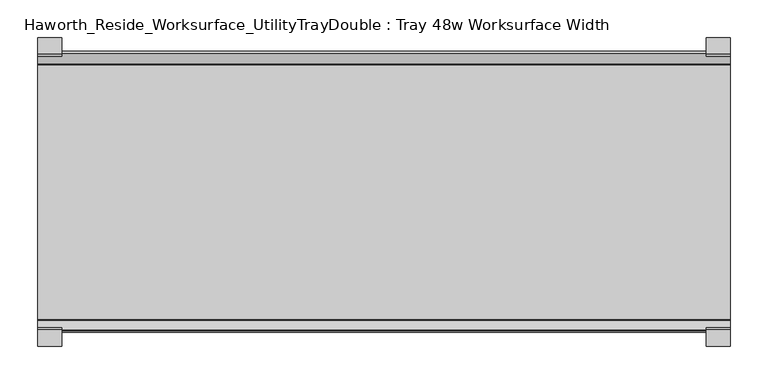
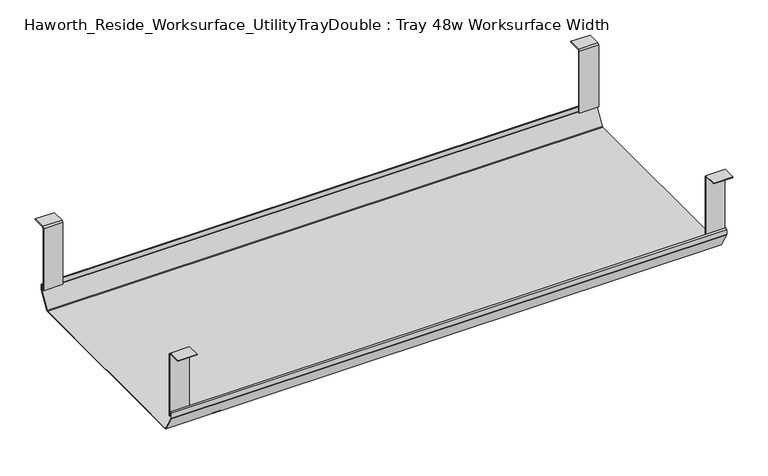
"""IFC4 building model written with IfcOpenShell, lengths in millimetres: furniture geometry, Haworth_Reside_Worksurface_UtilityTrayDouble : Tray 48w Worksurface Width."""

from ifc_helpers import new_model, si_unit, frame, origin, place, context, project, spatial, polyline, outline, extrude, source, transform, mapped, element, save


def haworth_reside_worksurface_utilitytraydouble_tray_48w_59be3fe9(model_context):
    return source(origin(), model_context, "Body", "SweptSolid", [
        extrude(outline(polyline([(-721.2228768, 731.8375), (-718.8278791, 729.4425023), (-718.8278791, 621.6649855), (-720.2248778, 621.6649855), (-720.2248778, 729.0734626), (-721.7824239, 730.6310087), (-743.0086797, 730.6310087), (-743.0086797, 731.8375), (-721.2228768, 731.8375)])), frame((641.2991976, 0.0, 0.0), z_axis=(1.0, 0.0, 0.0), x_axis=(0.0, 1.0, 0.0)), (0.0, 0.0, 1.0), 31.8008024),
        extrude(outline(polyline([(-357.7340763, 731.8375), (-335.9482734, 731.8375), (-335.9482734, 730.6310087), (-357.1745292, 730.6310087), (-358.7320753, 729.0734626), (-358.7320753, 621.6649855), (-360.129074, 621.6649855), (-360.129074, 729.4425023), (-357.7340763, 731.8375)])), frame((641.2991976, 0.0, 0.0), z_axis=(1.0, 0.0, 0.0), x_axis=(0.0, 1.0, 0.0)), (0.0, 0.0, 1.0), 31.8008024),
        extrude(outline(polyline([(-721.2228768, 731.8375), (-718.8278791, 729.4425023), (-718.8278791, 621.6649855), (-720.2248778, 621.6649855), (-720.2248778, 729.0734626), (-721.7824239, 730.6310087), (-743.0086797, 730.6310087), (-743.0086797, 731.8375), (-721.2228768, 731.8375)])), frame((-241.3, 0.0, 0.0), z_axis=(1.0, 0.0, 0.0), x_axis=(0.0, 1.0, 0.0)), (0.0, 0.0, 1.0), 31.8008024),
        extrude(outline(polyline([(-357.7340763, 731.8375), (-335.9482734, 731.8375), (-335.9482734, 730.6310087), (-357.1745292, 730.6310087), (-358.7320753, 729.0734626), (-358.7320753, 621.6649855), (-360.129074, 621.6649855), (-360.129074, 729.4425023), (-357.7340763, 731.8375)])), frame((-241.3, 0.0, 0.0), z_axis=(1.0, 0.0, 0.0), x_axis=(0.0, 1.0, 0.0)), (0.0, 0.0, 1.0), 31.8008024),
        extrude(outline(polyline([(-725.025475, 629.0309966), (-722.993477, 631.0629947), (-722.432211, 630.5017287), (-724.231725, 628.7022146), (-724.231725, 620.8042827), (-724.0067745, 619.9647622), (-708.9140802, 593.8234395), (-707.4787101, 592.9947272), (-371.478243, 592.9947272), (-370.0428729, 593.8234395), (-354.9501786, 619.9647622), (-354.7252281, 620.8042827), (-354.7252281, 628.7022146), (-356.5247421, 630.5017287), (-355.9634761, 631.0629947), (-353.9314781, 629.0309966), (-353.9314781, 620.6997828), (-354.2105217, 619.6583856), (-369.5353957, 593.1149156), (-371.1183815, 592.2009772), (-707.691395, 592.2009772), (-709.4951457, 593.2423744), (-724.7464314, 619.6583856), (-725.025475, 620.6997828), (-725.025475, 629.0309966)])), frame((-241.3, 0.0, 0.0), z_axis=(1.0, 0.0, 0.0), x_axis=(0.0, 1.0, 0.0)), (0.0, 0.0, 1.0), 914.4),
    ])


if __name__ == "__main__":
    model = new_model("IFC4")
    model_context = context("Model", 3, world=origin())
    ifc_project = project(units=[si_unit("LENGTHUNIT", "METRE", prefix="MILLI")], contexts=[model_context])
    site = spatial("IfcSite", under=ifc_project)
    building = spatial("IfcBuilding", under=site)
    placement = place(None, origin())
    haworth_reside_worksurface_utilitytraydouble_tray_48w_shape = haworth_reside_worksurface_utilitytraydouble_tray_48w_59be3fe9(model_context)
    element("IfcFurniture", 1, ObjectType="Haworth_Reside_Worksurface_UtilityTrayDouble : Tray 48w Worksurface Width", at=placement, inside=building, context=model_context, shape_type="MappedRepresentation", body=[
        mapped(haworth_reside_worksurface_utilitytraydouble_tray_48w_shape, transform((0.0, 0.0, 0.0), x_axis=(1.0, 0.0, 0.0), y_axis=(0.0, 1.0, 0.0), z_axis=(0.0, 0.0, 1.0))),
    ])
    save(model, "model.ifc")
